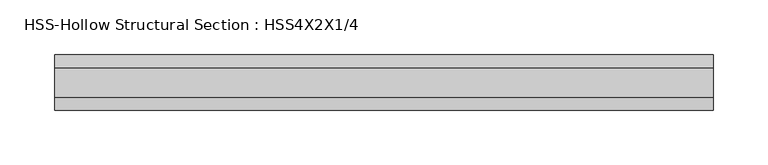
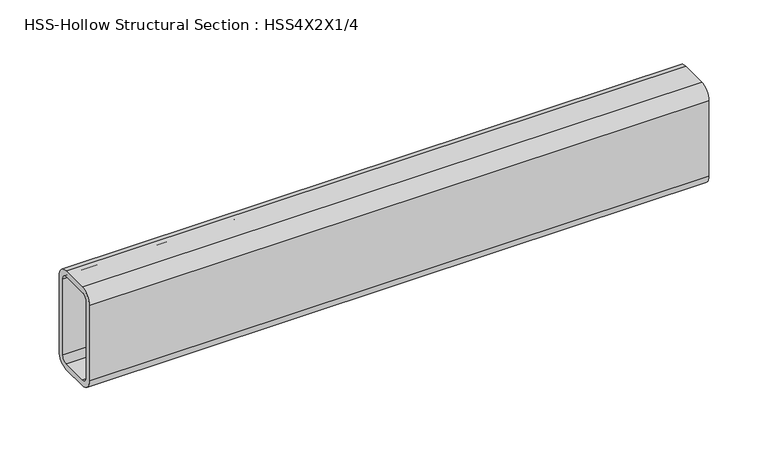
"""IFC4 building model written with IfcOpenShell, lengths in millimetres: beam geometry, HSS-Hollow Structural Section : HSS4X2X1/4."""

from ifc_helpers import new_model, si_unit, point, frame, frame_2d, origin, place, context, project, spatial, polyline, circle_curve, trimmed, segment, composite_curve, outline, extrude, source, transform, mapped, element, save


def hss_hollow_structural_section_hss4x2x1_4_a1256917(model_context):
    return source(origin(), model_context, "Body", "SweptSolid", [
        extrude(outline(composite_curve([segment(polyline([(25.4, 38.9636), (25.4, -38.9636)]), True, "CONTINUOUS"), segment(trimmed(circle_curve(frame_2d((13.5636, -38.9636)), 11.8364), [point((25.4, -38.9636))], [point((13.5636, -50.8))], False, "CARTESIAN"), True, "CONTINUOUS"), segment(polyline([(13.5636, -50.8), (-13.5636, -50.8)]), True, "CONTINUOUS"), segment(trimmed(circle_curve(frame_2d((-13.5636, -38.9636)), 11.8364), [point((-13.5636, -50.8))], [point((-25.4, -38.9636))], False, "CARTESIAN"), True, "CONTINUOUS"), segment(polyline([(-25.4, -38.9636), (-25.4, 38.9636)]), True, "CONTINUOUS"), segment(trimmed(circle_curve(frame_2d((-13.5636, 38.9636)), 11.8364), [point((-25.4, 38.9636))], [point((-13.5636, 50.8))], False, "CARTESIAN"), True, "CONTINUOUS"), segment(polyline([(-13.5636, 50.8), (13.5636, 50.8)]), True, "CONTINUOUS"), segment(trimmed(circle_curve(frame_2d((13.5636, 38.9636)), 11.8364), [point((13.5636, 50.8))], [point((25.4, 38.9636))], False, "CARTESIAN"), True, "CONTINUOUS")], self_intersect=False), holes=[composite_curve([segment(trimmed(circle_curve(frame_2d((-13.5636, 38.9636)), 5.9182), [point((-13.5636, 44.8818))], [point((-19.4818, 38.9636))], True, "CARTESIAN"), True, "CONTINUOUS"), segment(polyline([(-19.4818, 38.9636), (-19.4818, -38.9636)]), True, "CONTINUOUS"), segment(trimmed(circle_curve(frame_2d((-13.5636, -38.9636)), 5.9182), [point((-19.4818, -38.9636))], [point((-13.5636, -44.8818))], True, "CARTESIAN"), True, "CONTINUOUS"), segment(polyline([(-13.5636, -44.8818), (13.5636, -44.8818)]), True, "CONTINUOUS"), segment(trimmed(circle_curve(frame_2d((13.5636, -38.9636)), 5.9182), [point((13.5636, -44.8818))], [point((19.4818, -38.9636))], True, "CARTESIAN"), True, "CONTINUOUS"), segment(polyline([(19.4818, -38.9636), (19.4818, 38.9636)]), True, "CONTINUOUS"), segment(trimmed(circle_curve(frame_2d((13.5636, 38.9636)), 5.9182), [point((19.4818, 38.9636))], [point((13.5636, 44.8818))], True, "CARTESIAN"), True, "CONTINUOUS"), segment(polyline([(13.5636, 44.8818), (-13.5636, 44.8818)]), True, "CONTINUOUS")], self_intersect=False)]), frame((-288.925, 0.0, 0.0), z_axis=(1.0, 0.0, 0.0), x_axis=(0.0, 1.0, 0.0)), (0.0, 0.0, 1.0), 603.2499994),
    ])


if __name__ == "__main__":
    model = new_model("IFC4")
    model_context = context("Model", 3, world=origin())
    ifc_project = project(units=[si_unit("LENGTHUNIT", "METRE", prefix="MILLI")], contexts=[model_context])
    site = spatial("IfcSite", under=ifc_project)
    building = spatial("IfcBuilding", under=site)
    placement = place(None, origin())
    hss_hollow_structural_section_hss4x2x1_4_shape = hss_hollow_structural_section_hss4x2x1_4_a1256917(model_context)
    element("IfcBeam", 1, ObjectType="HSS-Hollow Structural Section : HSS4X2X1/4", at=placement, inside=building, context=model_context, shape_type="MappedRepresentation", body=[
        mapped(hss_hollow_structural_section_hss4x2x1_4_shape, transform((0.0, 0.0, 0.0), x_axis=(1.0, 0.0, 0.0), y_axis=(0.0, 1.0, 0.0), z_axis=(0.0, 0.0, 1.0))),
    ])
    save(model, "model.ifc")
